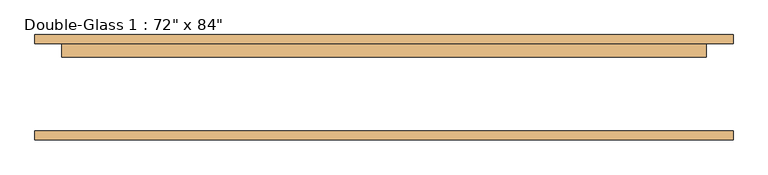
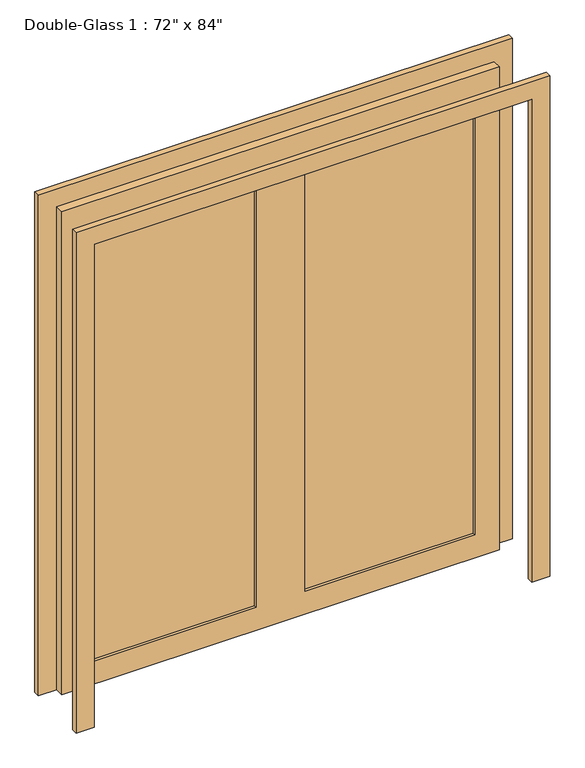
"""IFC4 building model written with IfcOpenShell, lengths in millimetres: door geometry."""

from ifc_helpers import new_model, si_unit, frame, origin, place, context, project, spatial, polyline, outline, extrude, source, transform, mapped, element, save


def door_6a9db71c(model_context):
    return source(origin(), model_context, "Body", "SweptSolid", [
        extrude(outline(polyline([(0.0, 990.6), (2209.8, 990.6), (2209.8, -990.6), (0.0, -990.6), (0.0, -914.4), (2133.6, -914.4), (2133.6, 914.4), (0.0, 914.4), (0.0, 990.6)])), frame((0.0, -146.84375, 0.0), z_axis=(0.0, 1.0, 0.0), x_axis=(0.0, 0.0, 1.0)), (0.0, 0.0, 1.0), 25.4),
        extrude(outline(polyline([(2133.6, 914.4), (0.0, 914.4), (0.0, 990.6), (2209.8, 990.6), (2209.8, -990.6), (0.0, -990.6), (0.0, -914.4), (2133.6, -914.4), (2133.6, 914.4)])), frame((0.0, 126.20625, 0.0), z_axis=(0.0, 1.0, 0.0), x_axis=(0.0, 0.0, 1.0)), (0.0, 0.0, 1.0), 25.4),
        extrude(outline(polyline([(812.8, 100.80625), (101.6, 100.80625), (101.6, 107.95), (812.8, 107.95), (812.8, 100.80625)])), frame((0.0, 0.0, 101.6), z_axis=(0.0, 0.0, 1.0), x_axis=(1.0, 0.0, 0.0)), (0.0, 0.0, 1.0), 1930.4),
        extrude(outline(polyline([(-101.6, 100.80625), (-812.8, 100.80625), (-812.8, 107.95), (-101.6, 107.95), (-101.6, 100.80625)])), frame((0.0, 0.0, 101.6), z_axis=(0.0, 0.0, 1.0), x_axis=(1.0, 0.0, 0.0)), (0.0, 0.0, 1.0), 1930.4),
        extrude(outline(polyline([(2133.6, 914.4), (2133.6, -914.4), (0.0, -914.4), (0.0, 914.4), (2133.6, 914.4)]), holes=[polyline([(2032.0, -101.6), (101.6, -101.6), (101.6, -812.8), (2032.0, -812.8), (2032.0, -101.6)]), polyline([(2032.0, 812.8), (101.6, 812.8), (101.6, 101.6), (2032.0, 101.6), (2032.0, 812.8)])]), frame((0.0, 88.10625, 0.0), z_axis=(0.0, 1.0, 0.0), x_axis=(0.0, 0.0, 1.0)), (0.0, 0.0, 1.0), 38.1),
    ])


if __name__ == "__main__":
    model = new_model("IFC4")
    model_context = context("Model", 3, world=origin())
    ifc_project = project(units=[si_unit("LENGTHUNIT", "METRE", prefix="MILLI")], contexts=[model_context])
    site = spatial("IfcSite", under=ifc_project)
    building = spatial("IfcBuilding", under=site)
    placement = place(None, origin())
    door_shape = door_6a9db71c(model_context)
    element("IfcDoor", 1, ObjectType="Double-Glass 1 : 72\" x 84\"", at=placement, inside=building, context=model_context, shape_type="MappedRepresentation", body=[
        mapped(door_shape, transform((0.0, 0.0, 0.0), x_axis=(1.0, 0.0, 0.0), y_axis=(0.0, 1.0, 0.0), z_axis=(0.0, 0.0, 1.0))),
    ])
    save(model, "model.ifc")
